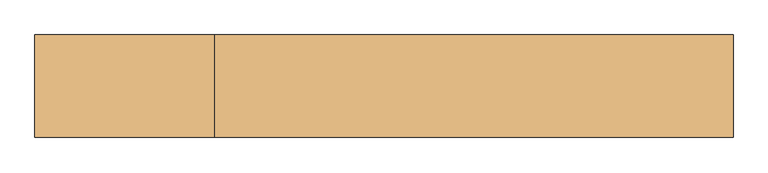
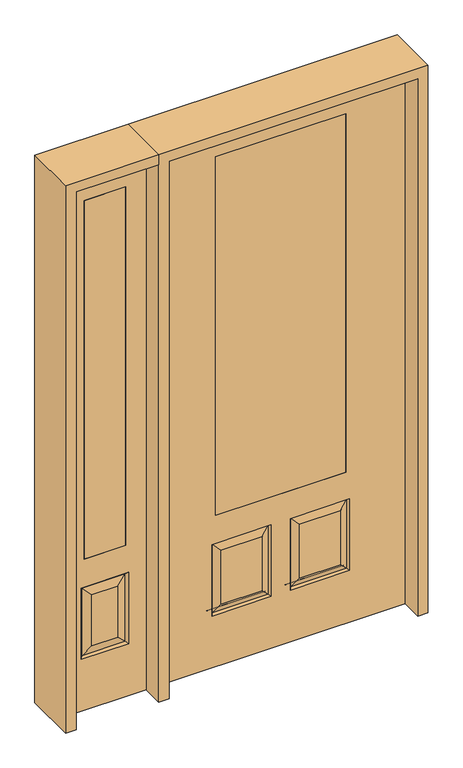
"""IFC4 building model written with IfcOpenShell, lengths in millimetres: door geometry."""

from ifc_helpers import new_model, si_unit, frame, origin, place, context, project, spatial, polyline, outline, extrude, faceted_brep, source, transform, mapped, element, save


def door_e090bd78(model_context):
    return source(origin(), model_context, "Body", "SolidModel", [
        extrude(outline(polyline([(-666.75, -20.6375), (-844.55, -20.6375), (-844.55, 20.6375), (-666.75, 20.6375), (-666.75, -20.6375)])), frame((0.0, 0.0, 685.8), z_axis=(0.0, 0.0, 1.0), x_axis=(1.0, 0.0, 0.0)), (0.0, 0.0, 1.0), 1625.6),
        faceted_brep([(-933.45, -20.6375, 0.0), (-577.85, -20.6375, 0.0), (-577.85, -20.6375, 2438.4), (-933.45, -20.6375, 2438.4), (-654.05, -20.6375, 234.95), (-857.25, -20.6375, 234.95), (-857.25, -20.6375, 558.8), (-654.05, -20.6375, 558.8), (-666.75, -20.6375, 685.8), (-844.55, -20.6375, 685.8), (-844.55, -20.6375, 2311.4), (-666.75, -20.6375, 2311.4), (-811.2125, -20.6375, 280.9875), (-700.0875, -20.6375, 280.9875), (-700.0875, -20.6375, 512.7625), (-811.2125, -20.6375, 512.7625), (-933.45, 20.6375, 0.0), (-577.85, 20.6375, 0.0), (-577.85, 20.6375, 2438.4), (-933.45, 20.6375, 2438.4), (-663.0302561, -11.6572439, 243.9302561), (-848.2697439, -11.6572439, 243.9302561), (-848.2697439, -11.6572439, 549.8197439), (-663.0302561, -11.6572439, 549.8197439), (-857.25, 20.6375, 234.95), (-654.05, 20.6375, 234.95), (-654.05, 20.6375, 558.8), (-857.25, 20.6375, 558.8), (-844.55, 20.6375, 685.8), (-666.75, 20.6375, 685.8), (-666.75, 20.6375, 2311.4), (-844.55, 20.6375, 2311.4), (-700.0875, 20.6375, 280.9875), (-811.2125, 20.6375, 280.9875), (-811.2125, 20.6375, 512.7625), (-700.0875, 20.6375, 512.7625), (-848.2697439, 11.6572439, 243.9302561), (-663.0302561, 11.6572439, 243.9302561), (-663.0302561, 11.6572439, 549.8197439), (-848.2697439, 11.6572439, 549.8197439)], [[[0, 1, 2, 3], [4, 5, 6, 7], [8, 9, 10, 11]], [[12, 13, 14, 15]], [[1, 0, 16, 17]], [[2, 1, 17, 18]], [[0, 3, 19, 16]], [[20, 21, 5, 4]], [[5, 21, 22, 6]], [[6, 22, 23, 7]], [[20, 4, 7, 23]], [[21, 20, 13, 12]], [[13, 20, 23, 14]], [[22, 15, 14, 23]], [[21, 12, 15, 22]], [[16, 19, 18, 17], [24, 25, 26, 27], [28, 29, 30, 31]], [[32, 33, 34, 35]], [[24, 36, 37, 25]], [[25, 37, 38, 26]], [[39, 27, 26, 38]], [[36, 24, 27, 39]], [[37, 36, 33, 32]], [[33, 36, 39, 34]], [[34, 39, 38, 35]], [[37, 32, 35, 38]], [[3, 2, 18, 19]], [[8, 29, 28, 9]], [[9, 28, 31, 10]], [[29, 8, 11, 30]], [[30, 11, 10, 31]]]),
        faceted_brep([(279.4, 20.6375, 685.8), (279.4, -20.6375, 685.8), (279.4, -20.6375, 2311.4), (279.4, 20.6375, 2311.4), (-279.4, 20.6375, 685.8), (-279.4, -20.6375, 685.8), (-80.1727627, 20.6375, 273.8477627), (-256.3772373, 20.6375, 273.8477627), (-256.3772373, 20.6375, 520.4102373), (-80.1727627, 20.6375, 520.4102373), (256.3772373, 20.6375, 273.8477627), (80.1727627, 20.6375, 273.8477627), (80.1727627, 20.6375, 520.4102373), (256.3772373, 20.6375, 520.4102373), (-533.4, 20.6375, 2438.4), (533.4, 20.6375, 2438.4), (533.4, 20.6375, 0.0), (-533.4, 20.6375, 0.0), (-279.4, 20.6375, 2311.4), (-295.275, 20.6375, 234.95), (-41.275, 20.6375, 234.95), (-41.275, 20.6375, 559.308), (-295.275, 20.6375, 559.308), (41.275, 20.6375, 234.95), (295.275, 20.6375, 234.95), (295.275, 20.6375, 559.308), (41.275, 20.6375, 559.308), (-279.4, -20.6375, 2311.4), (80.1727627, -20.6375, 273.8477627), (256.3772373, -20.6375, 273.8477627), (256.3772373, -20.6375, 520.4102373), (80.1727627, -20.6375, 520.4102373), (-256.3772373, -20.6375, 273.8477627), (-80.1727627, -20.6375, 273.8477627), (-80.1727627, -20.6375, 520.4102373), (-256.3772373, -20.6375, 520.4102373), (533.4, -20.6375, 2438.4), (-533.4, -20.6375, 2438.4), (-533.4, -20.6375, 0.0), (533.4, -20.6375, 0.0), (295.275, -20.6375, 234.95), (41.275, -20.6375, 234.95), (41.275, -20.6375, 559.308), (295.275, -20.6375, 559.308), (-41.275, -20.6375, 234.95), (-295.275, -20.6375, 234.95), (-295.275, -20.6375, 559.308), (-41.275, -20.6375, 559.308), (-287.8714647, 11.4399763, 242.3535353), (-48.6785353, 11.4399763, 242.3535353), (-48.6785353, 11.4399763, 551.9044647), (-287.8714647, 11.4399763, 551.9044647), (48.6785353, 11.4399763, 242.3535353), (287.8714647, 11.4399763, 242.3535353), (287.8714647, 11.4399763, 551.9044647), (48.6785353, 11.4399763, 551.9044647), (287.8714647, -11.4399763, 242.3535353), (48.6785353, -11.4399763, 242.3535353), (48.6785353, -11.4399763, 551.9044647), (287.8714647, -11.4399763, 551.9044647), (-48.6785353, -11.4399763, 242.3535353), (-287.8714647, -11.4399763, 242.3535353), (-287.8714647, -11.4399763, 551.9044647), (-48.6785353, -11.4399763, 551.9044647)], [[[0, 1, 2, 3]], [[1, 0, 4, 5]], [[6, 7, 8, 9]], [[10, 11, 12, 13]], [[14, 15, 16, 17], [4, 0, 3, 18], [19, 20, 21, 22], [23, 24, 25, 26]], [[5, 4, 18, 27]], [[28, 29, 30, 31]], [[32, 33, 34, 35]], [[36, 37, 38, 39], [1, 5, 27, 2], [40, 41, 42, 43], [44, 45, 46, 47]], [[39, 38, 17, 16]], [[37, 14, 17, 38]], [[15, 36, 39, 16]], [[19, 48, 49, 20]], [[20, 49, 50, 21]], [[51, 22, 21, 50]], [[48, 19, 22, 51]], [[49, 48, 7, 6]], [[7, 48, 51, 8]], [[8, 51, 50, 9]], [[49, 6, 9, 50]], [[52, 53, 24, 23]], [[24, 53, 54, 25]], [[25, 54, 55, 26]], [[52, 23, 26, 55]], [[53, 52, 11, 10]], [[11, 52, 55, 12]], [[54, 13, 12, 55]], [[53, 10, 13, 54]], [[40, 56, 57, 41]], [[41, 57, 58, 42]], [[59, 43, 42, 58]], [[56, 40, 43, 59]], [[57, 56, 29, 28]], [[29, 56, 59, 30]], [[30, 59, 58, 31]], [[57, 28, 31, 58]], [[60, 61, 45, 44]], [[45, 61, 62, 46]], [[46, 62, 63, 47]], [[60, 44, 47, 63]], [[61, 60, 33, 32]], [[33, 60, 63, 34]], [[62, 35, 34, 63]], [[61, 32, 35, 62]], [[3, 2, 27, 18]], [[36, 15, 14, 37]]]),
        extrude(outline(polyline([(279.4, -20.6375), (-279.4, -20.6375), (-279.4, 20.6375), (279.4, 20.6375), (279.4, -20.6375)])), frame((0.0, 0.0, 685.8), z_axis=(0.0, 0.0, 1.0), x_axis=(1.0, 0.0, 0.0)), (0.0, 0.0, 1.0), 1625.6),
        extrude(outline(polyline([(2438.4, -577.85), (2482.85, -577.85), (2482.85, -977.9), (0.0, -977.9), (0.0, -933.45), (2438.4, -933.45), (2438.4, -577.85)])), frame((0.0, -114.3, 0.0), z_axis=(0.0, 1.0, 0.0), x_axis=(0.0, 0.0, 1.0)), (0.0, 0.0, 1.0), 228.6),
        extrude(outline(polyline([(2482.85, -577.85), (0.0, -577.85), (0.0, -533.4), (2438.4, -533.4), (2438.4, 533.4), (0.0, 533.4), (0.0, 577.85), (2482.85, 577.85), (2482.85, -577.85)])), frame((0.0, -114.3, 0.0), z_axis=(0.0, 1.0, 0.0), x_axis=(0.0, 0.0, 1.0)), (0.0, 0.0, 1.0), 228.6),
    ])


if __name__ == "__main__":
    model = new_model("IFC4")
    model_context = context("Model", 3, world=origin())
    ifc_project = project(units=[si_unit("LENGTHUNIT", "METRE", prefix="MILLI")], contexts=[model_context])
    site = spatial("IfcSite", under=ifc_project)
    building = spatial("IfcBuilding", under=site)
    placement = place(None, origin())
    door_shape = door_e090bd78(model_context)
    element("IfcDoor", 1, at=placement, inside=building, context=model_context, shape_type="MappedRepresentation", body=[
        mapped(door_shape, transform((0.0, 0.0, 0.0), x_axis=(1.0, 0.0, 0.0), y_axis=(0.0, 1.0, 0.0), z_axis=(0.0, 0.0, 1.0))),
    ])
    save(model, "model.ifc")
